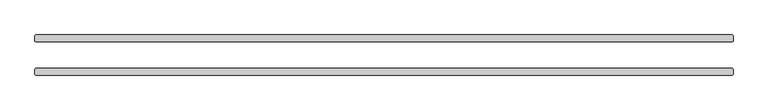
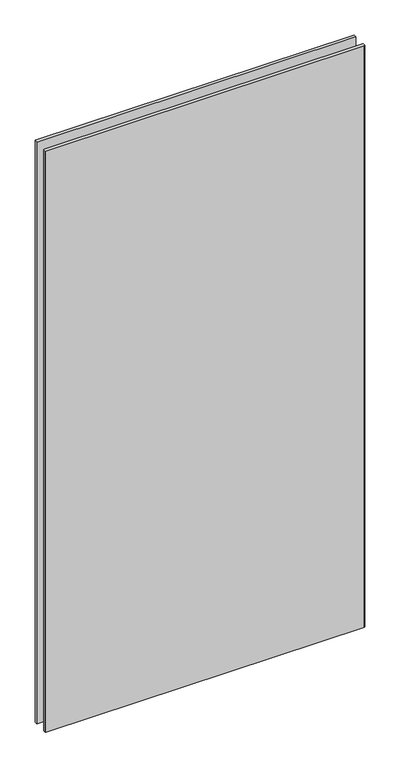
"""IFC4 building model written with IfcOpenShell, lengths in millimetres: plate geometry."""

from ifc_helpers import new_model, si_unit, origin, origin_with_axes, place, context, project, spatial, polyline, outline, extrude, source, transform, mapped, element, save


def plate_1a16219d(model_context):
    return source(origin(), model_context, "Body", "SweptSolid", [
        extrude(outline(polyline([(628.65, 23.8125), (-628.65, 23.8125), (-630.2375, 25.4), (-630.2375, 34.925), (-628.65, 36.5125), (628.65, 36.5125), (630.2375, 34.925), (630.2375, 25.4), (628.65, 23.8125)])), origin_with_axes(), (0.0, 0.0, 1.0), 2428.7789267),
        extrude(outline(polyline([(628.65, -36.5125), (-628.65, -36.5125), (-630.2375, -34.925), (-630.2375, -25.4), (-628.65, -23.8125), (628.65, -23.8125), (630.2375, -25.4), (630.2375, -34.925), (628.65, -36.5125)])), origin_with_axes(), (0.0, 0.0, 1.0), 2428.7789267),
    ])


if __name__ == "__main__":
    model = new_model("IFC4")
    model_context = context("Model", 3, world=origin())
    ifc_project = project(units=[si_unit("LENGTHUNIT", "METRE", prefix="MILLI")], contexts=[model_context])
    site = spatial("IfcSite", under=ifc_project)
    building = spatial("IfcBuilding", under=site)
    placement = place(None, origin())
    plate_shape = plate_1a16219d(model_context)
    element("IfcPlate", 1, at=placement, inside=building, context=model_context, shape_type="MappedRepresentation", body=[
        mapped(plate_shape, transform((0.0, 0.0, 0.0), x_axis=(1.0, 0.0, 0.0), y_axis=(0.0, 1.0, 0.0), z_axis=(0.0, 0.0, 1.0))),
    ])
    save(model, "model.ifc")
